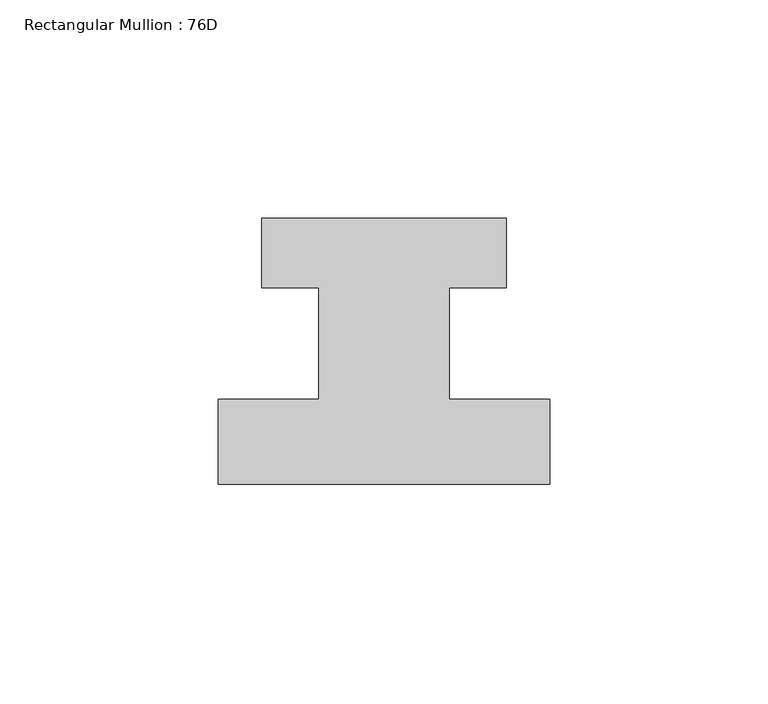
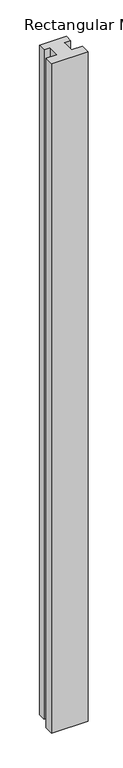
"""IFC4 building model written with IfcOpenShell, lengths in millimetres: member geometry, Rectangular Mullion : 76D."""

import ifcopenshell
import ifcopenshell.guid

model = None  # the IFC model being written
_history = None  # IfcOwnerHistory: only IFC2X3 demands one
_inside = {}  # id of a spatial element -> (the spatial element, [elements in it])
_under = {}  # id of a project, library or spatial element -> (it, [spatial elements below it])
_declared = {}  # id of a project -> (the project, [libraries it declares])
_typed = {}  # id of a type object -> (the type object, [elements of that type])
_made_of = {}  # id of a material, layer set ... -> (it, [elements and type objects made of it])


def new_model(schema):
    """Start an empty IFC model of exactly this schema.

    Asked for "IFC4X3", IfcOpenShell would pick the latest addendum, in which some entities
    have other attributes; the version numbers below select the first issue.
    IFC2X3 requires an IfcOwnerHistory on every rooted entity: one is made here for all.
    """
    global model, _history
    if schema == "IFC4X3":
        model = ifcopenshell.file(schema_version=(4, 3, 0, 0))
    else:
        model = ifcopenshell.file(schema=schema)
    _inside.clear()
    _under.clear()
    _declared.clear()
    _typed.clear()
    _made_of.clear()
    _history = None
    if model.schema == "IFC2X3":
        org = make("IfcOrganization", Name="unknown")
        user = make(
            "IfcPersonAndOrganization",
            ThePerson=make("IfcPerson", FamilyName="unknown"),
            TheOrganization=org,
        )
        app = make(
            "IfcApplication",
            ApplicationDeveloper=org,
            Version="unknown",
            ApplicationFullName="unknown",
            ApplicationIdentifier="unknown",
        )
        _history = make(
            "IfcOwnerHistory",
            OwningUser=user,
            OwningApplication=app,
            ChangeAction="ADDED",
            CreationDate=0,
        )
    return model


def make(cls, **values):
    """One entity of the class cls with the attributes given. An attribute that is None is left unset."""
    return model.create_entity(
        cls, **{name: value for name, value in values.items() if value is not None}
    )


def rooted(cls, **values):
    """An entity with a GlobalId (a new one), such as an element, a storey or a relation."""
    return make(cls, GlobalId=ifcopenshell.guid.new(), OwnerHistory=_history, **values)


def si_unit(unit_type, name, prefix=None):
    """IfcSIUnit, for example si_unit("LENGTHUNIT", "METRE", prefix="MILLI")."""
    return make("IfcSIUnit", UnitType=unit_type, Prefix=prefix, Name=name)


def assignment(units):
    """IfcUnitAssignment: the units of a project."""
    return None if units is None else make("IfcUnitAssignment", Units=units)


def point(xyz):
    """IfcCartesianPoint."""
    return None if xyz is None else make("IfcCartesianPoint", Coordinates=xyz)


def direction(xyz):
    """IfcDirection."""
    return None if xyz is None else make("IfcDirection", DirectionRatios=xyz)


def frame(location, z_axis=None, x_axis=None):
    """IfcAxis2Placement3D, a coordinate frame: its origin and axes. An axis left out is left unset."""
    return make(
        "IfcAxis2Placement3D",
        Location=point(location),
        Axis=direction(z_axis),
        RefDirection=direction(x_axis),
    )


def origin():
    """The frame at (0, 0, 0) with its axes left unset."""
    return frame((0.0, 0.0, 0.0))


def place(relative_to, where):
    """IfcLocalPlacement: puts the frame where relative to a parent placement (None: the world)."""
    return make(
        "IfcLocalPlacement", PlacementRelTo=relative_to, RelativePlacement=where
    )


def context(
    kind, dimensions, precision=None, world=None, true_north=None, identifier=None
):
    """IfcGeometricRepresentationContext, for example the 3D "Model" context."""
    return make(
        "IfcGeometricRepresentationContext",
        ContextIdentifier=identifier,
        ContextType=kind,
        CoordinateSpaceDimension=dimensions,
        Precision=precision,
        WorldCoordinateSystem=world,
        TrueNorth=true_north,
    )


def project(units=None, contexts=None):
    """IfcProject with its units and contexts."""
    return rooted(
        "IfcProject",
        Name="project",
        RepresentationContexts=contexts,
        UnitsInContext=assignment(units),
    )


def spatial(cls, under=None, at=None, **own):
    """A site, building, storey or space (cls), placed at a placement, below another one or the project."""
    s = rooted(cls, ObjectPlacement=at, **own)
    if under is not None:
        _under.setdefault(under.id(), (under, []))[1].append(s)
    return s


def polyline(points):
    """IfcPolyline through the points."""
    return make("IfcPolyline", Points=[point(p) for p in points])


def outline(outer, holes=None, kind="AREA"):
    """IfcArbitraryClosedProfileDef: a profile drawn as a closed curve; with holes, ...WithVoids."""
    if holes is None:
        return make("IfcArbitraryClosedProfileDef", ProfileType=kind, OuterCurve=outer)
    return make(
        "IfcArbitraryProfileDefWithVoids",
        ProfileType=kind,
        OuterCurve=outer,
        InnerCurves=holes,
    )


def extrude(swept, where, along, depth):
    """IfcExtrudedAreaSolid: the profile swept, set in the frame where, extruded along a direction by depth."""
    return make(
        "IfcExtrudedAreaSolid",
        SweptArea=swept,
        Position=where,
        ExtrudedDirection=direction(along),
        Depth=depth,
    )


def shape(context_of_items, identifier, shape_type, items):
    """IfcShapeRepresentation: the items that make up one representation, for example the "Body"."""
    return make(
        "IfcShapeRepresentation",
        ContextOfItems=context_of_items,
        RepresentationIdentifier=identifier,
        RepresentationType=shape_type,
        Items=items,
    )


def source(mapping_origin, context_of_items, identifier, shape_type, items):
    """IfcRepresentationMap: a shape defined once, which mapped items show again and again."""
    return make(
        "IfcRepresentationMap",
        MappingOrigin=mapping_origin,
        MappedRepresentation=shape(context_of_items, identifier, shape_type, items),
    )


def transform(
    local_origin,
    x_axis=None,
    y_axis=None,
    z_axis=None,
    scale=None,
    scale2=None,
    scale3=None,
    uniform=True,
):
    """IfcCartesianTransformationOperator3D, or its non-uniform kind. x_axis, y_axis, z_axis: its Axis1, 2, 3."""
    if uniform:
        return make(
            "IfcCartesianTransformationOperator3D",
            Axis1=direction(x_axis),
            Axis2=direction(y_axis),
            LocalOrigin=point(local_origin),
            Scale=scale,
            Axis3=direction(z_axis),
        )
    return make(
        "IfcCartesianTransformationOperator3DnonUniform",
        Axis1=direction(x_axis),
        Axis2=direction(y_axis),
        LocalOrigin=point(local_origin),
        Scale=scale,
        Axis3=direction(z_axis),
        Scale2=scale2,
        Scale3=scale3,
    )


def mapped(mapping_source, mapping_target):
    """IfcMappedItem: shows the shape of a source again, moved by a transform."""
    return make(
        "IfcMappedItem", MappingSource=mapping_source, MappingTarget=mapping_target
    )


def made_of(thing, what):
    """Note that an element or type object is made of a material, layer set ...; save() writes the relation."""
    if what is not None:
        _made_of.setdefault(what.id(), (what, []))[1].append(thing)
    return thing


def element(
    cls,
    number,
    at=None,
    inside=None,
    cuts=None,
    type_object=None,
    material=None,
    context=None,
    identifier="Body",
    shape_type=None,
    held_by="IfcProductDefinitionShape",
    body=None,
    shapes=None,
    **own,
):
    """One element of the class cls, such as IfcWall. Its Tag is "e" and its number.

    at: its placement. inside: the storey or other place that contains it. cuts: it is an
    opening in that element (IfcRelVoidsElement). A single representation is given by context,
    identifier, shape_type and body (its items); several are given by shapes. held_by: the class
    of the entity that holds the representations. save() writes the other relations.
    """
    e = rooted(cls, Tag="e%d" % number, ObjectPlacement=at, **own)
    if body is not None:
        shapes = [shape(context, identifier, shape_type, body)]
    if shapes is not None:
        e.Representation = make(held_by, Representations=shapes)
    if inside is not None:
        _inside.setdefault(inside.id(), (inside, []))[1].append(e)
    if cuts is not None:
        rooted(
            "IfcRelVoidsElement", RelatingBuildingElement=cuts, RelatedOpeningElement=e
        )
    if type_object is not None:
        _typed.setdefault(type_object.id(), (type_object, []))[1].append(e)
    return made_of(e, material)


def aggregate(whole, parts):
    """IfcRelAggregates: a whole, such as a stair, and the parts it consists of."""
    return rooted("IfcRelAggregates", RelatingObject=whole, RelatedObjects=parts)


def save(model, path):
    """Write the relations noted so far, then the file.

    IfcRelAggregates (storeys below a building ...), IfcRelContainedInSpatialStructure (elements
    in a storey), IfcRelDefinesByType, IfcRelAssociatesMaterial and IfcRelDeclares: one each for
    every whole, place, type object, material and project.
    """
    for whole, parts in _under.values():
        aggregate(whole, parts)
    for where, things in _inside.values():
        rooted(
            "IfcRelContainedInSpatialStructure",
            RelatedElements=things,
            RelatingStructure=where,
        )
    for kind, things in _typed.values():
        rooted("IfcRelDefinesByType", RelatedObjects=things, RelatingType=kind)
    for what, things in _made_of.values():
        rooted("IfcRelAssociatesMaterial", RelatedObjects=things, RelatingMaterial=what)
    for by, libraries in _declared.values():
        rooted("IfcRelDeclares", RelatingContext=by, RelatedDefinitions=libraries)
    model.write(path)


def rectangular_mullion_76d_131c8f47(model_context):
    return source(origin(), model_context, "Body", "SweptSolid", [
        extrude(outline(polyline([(38.0, -20.0), (-38.0, -20.0), (-38.0, -0.5), (-15.0, -0.5), (-15.0, 25.0), (-28.0, 25.0), (-28.0, 41.0), (28.0, 41.0), (28.0, 25.0), (15.0, 25.0), (15.0, -0.5), (38.0, -0.5), (38.0, -20.0)])), frame((0.0, 0.0, -1477.534293), z_axis=(0.0, 0.0, 1.0), x_axis=(1.0, 0.0, 0.0)), (0.0, 0.0, 1.0), 1477.534293),
    ])


if __name__ == "__main__":
    model = new_model("IFC4")
    model_context = context("Model", 3, world=origin())
    ifc_project = project(units=[si_unit("LENGTHUNIT", "METRE", prefix="MILLI")], contexts=[model_context])
    site = spatial("IfcSite", under=ifc_project)
    building = spatial("IfcBuilding", under=site)
    placement = place(None, origin())
    rectangular_mullion_76d_shape = rectangular_mullion_76d_131c8f47(model_context)
    element("IfcMember", 1, ObjectType="Rectangular Mullion : 76D", at=placement, inside=building, context=model_context, shape_type="MappedRepresentation", body=[
        mapped(rectangular_mullion_76d_shape, transform((0.0, 0.0, 0.0), x_axis=(1.0, 0.0, 0.0), y_axis=(0.0, 1.0, 0.0), z_axis=(0.0, 0.0, 1.0))),
    ])
    save(model, "model.ifc")
